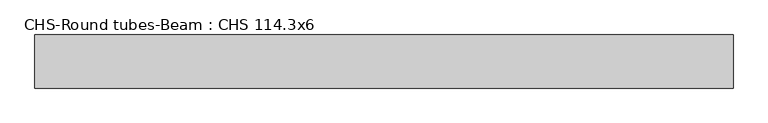
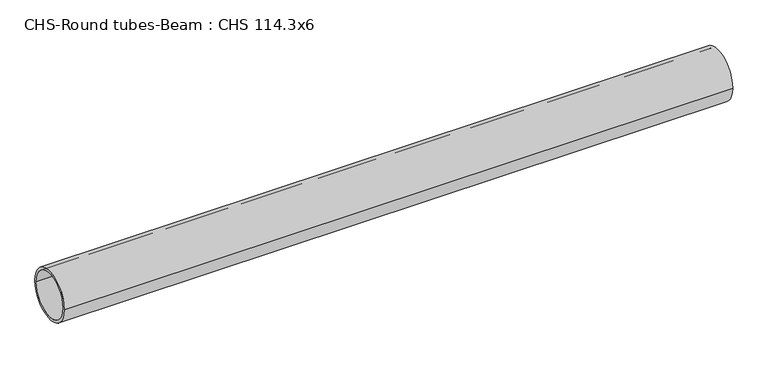
"""IFC4 building model written with IfcOpenShell, lengths in millimetres: beam geometry, CHS-Round tubes-Beam : CHS 114.3x6."""

from ifc_helpers import new_model, si_unit, point, frame, origin, origin_2d, place, context, project, spatial, circle_curve, trimmed, segment, composite_curve, outline, extrude, source, transform, mapped, element, save


def chs_round_tubes_beam_chs_114_3x6_2318a6fc(model_context):
    return source(origin(), model_context, "Body", "SweptSolid", [
        extrude(outline(composite_curve([segment(trimmed(circle_curve(origin_2d(), 57.15), [point((57.15, 0.0))], [point((-57.15, 0.0))], False, "CARTESIAN"), True, "CONTINUOUS"), segment(trimmed(circle_curve(origin_2d(), 57.15), [point((-57.15, 0.0))], [point((57.15, 0.0))], False, "CARTESIAN"), True, "CONTINUOUS")], self_intersect=False), holes=[composite_curve([segment(trimmed(circle_curve(origin_2d(), 51.15), [point((51.15, 0.0))], [point((-51.15, 0.0))], True, "CARTESIAN"), True, "CONTINUOUS"), segment(trimmed(circle_curve(origin_2d(), 51.15), [point((-51.15, 0.0))], [point((51.15, 0.0))], True, "CARTESIAN"), True, "CONTINUOUS")], self_intersect=False)]), frame((-764.4365297, 0.0, 0.0), z_axis=(1.0, 0.0, 0.0), x_axis=(0.0, 1.0, 0.0)), (0.0, 0.0, 1.0), 1500.8973121),
    ])


if __name__ == "__main__":
    model = new_model("IFC4")
    model_context = context("Model", 3, world=origin())
    ifc_project = project(units=[si_unit("LENGTHUNIT", "METRE", prefix="MILLI")], contexts=[model_context])
    site = spatial("IfcSite", under=ifc_project)
    building = spatial("IfcBuilding", under=site)
    placement = place(None, origin())
    chs_round_tubes_beam_chs_114_3x6_shape = chs_round_tubes_beam_chs_114_3x6_2318a6fc(model_context)
    element("IfcBeam", 1, ObjectType="CHS-Round tubes-Beam : CHS 114.3x6", at=placement, inside=building, context=model_context, shape_type="MappedRepresentation", body=[
        mapped(chs_round_tubes_beam_chs_114_3x6_shape, transform((0.0, 0.0, 0.0), x_axis=(1.0, 0.0, 0.0), y_axis=(0.0, 1.0, 0.0), z_axis=(0.0, 0.0, 1.0))),
    ])
    save(model, "model.ifc")
